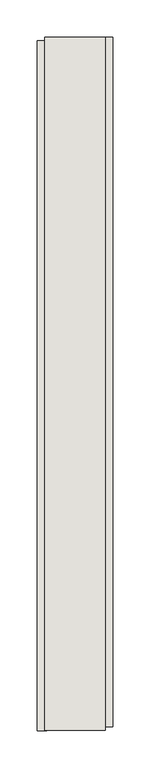
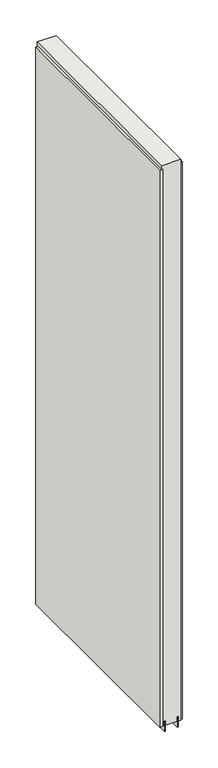
"""IFC4 building model written with IfcOpenShell, lengths in millimetres: wall geometry."""

import ifcopenshell
import ifcopenshell.guid

model = None  # the IFC model being written
_history = None  # IfcOwnerHistory: only IFC2X3 demands one
_inside = {}  # id of a spatial element -> (the spatial element, [elements in it])
_under = {}  # id of a project, library or spatial element -> (it, [spatial elements below it])
_declared = {}  # id of a project -> (the project, [libraries it declares])
_typed = {}  # id of a type object -> (the type object, [elements of that type])
_made_of = {}  # id of a material, layer set ... -> (it, [elements and type objects made of it])


def new_model(schema):
    """Start an empty IFC model of exactly this schema.

    Asked for "IFC4X3", IfcOpenShell would pick the latest addendum, in which some entities
    have other attributes; the version numbers below select the first issue.
    IFC2X3 requires an IfcOwnerHistory on every rooted entity: one is made here for all.
    """
    global model, _history
    if schema == "IFC4X3":
        model = ifcopenshell.file(schema_version=(4, 3, 0, 0))
    else:
        model = ifcopenshell.file(schema=schema)
    _inside.clear()
    _under.clear()
    _declared.clear()
    _typed.clear()
    _made_of.clear()
    _history = None
    if model.schema == "IFC2X3":
        org = make("IfcOrganization", Name="unknown")
        user = make(
            "IfcPersonAndOrganization",
            ThePerson=make("IfcPerson", FamilyName="unknown"),
            TheOrganization=org,
        )
        app = make(
            "IfcApplication",
            ApplicationDeveloper=org,
            Version="unknown",
            ApplicationFullName="unknown",
            ApplicationIdentifier="unknown",
        )
        _history = make(
            "IfcOwnerHistory",
            OwningUser=user,
            OwningApplication=app,
            ChangeAction="ADDED",
            CreationDate=0,
        )
    return model


def make(cls, **values):
    """One entity of the class cls with the attributes given. An attribute that is None is left unset."""
    return model.create_entity(
        cls, **{name: value for name, value in values.items() if value is not None}
    )


def rooted(cls, **values):
    """An entity with a GlobalId (a new one), such as an element, a storey or a relation."""
    return make(cls, GlobalId=ifcopenshell.guid.new(), OwnerHistory=_history, **values)


def si_unit(unit_type, name, prefix=None):
    """IfcSIUnit, for example si_unit("LENGTHUNIT", "METRE", prefix="MILLI")."""
    return make("IfcSIUnit", UnitType=unit_type, Prefix=prefix, Name=name)


def assignment(units):
    """IfcUnitAssignment: the units of a project."""
    return None if units is None else make("IfcUnitAssignment", Units=units)


def point(xyz):
    """IfcCartesianPoint."""
    return None if xyz is None else make("IfcCartesianPoint", Coordinates=xyz)


def direction(xyz):
    """IfcDirection."""
    return None if xyz is None else make("IfcDirection", DirectionRatios=xyz)


def frame(location, z_axis=None, x_axis=None):
    """IfcAxis2Placement3D, a coordinate frame: its origin and axes. An axis left out is left unset."""
    return make(
        "IfcAxis2Placement3D",
        Location=point(location),
        Axis=direction(z_axis),
        RefDirection=direction(x_axis),
    )


def origin():
    """The frame at (0, 0, 0) with its axes left unset."""
    return frame((0.0, 0.0, 0.0))


def place(relative_to, where):
    """IfcLocalPlacement: puts the frame where relative to a parent placement (None: the world)."""
    return make(
        "IfcLocalPlacement", PlacementRelTo=relative_to, RelativePlacement=where
    )


def context(
    kind, dimensions, precision=None, world=None, true_north=None, identifier=None
):
    """IfcGeometricRepresentationContext, for example the 3D "Model" context."""
    return make(
        "IfcGeometricRepresentationContext",
        ContextIdentifier=identifier,
        ContextType=kind,
        CoordinateSpaceDimension=dimensions,
        Precision=precision,
        WorldCoordinateSystem=world,
        TrueNorth=true_north,
    )


def project(units=None, contexts=None):
    """IfcProject with its units and contexts."""
    return rooted(
        "IfcProject",
        Name="project",
        RepresentationContexts=contexts,
        UnitsInContext=assignment(units),
    )


def spatial(cls, under=None, at=None, **own):
    """A site, building, storey or space (cls), placed at a placement, below another one or the project."""
    s = rooted(cls, ObjectPlacement=at, **own)
    if under is not None:
        _under.setdefault(under.id(), (under, []))[1].append(s)
    return s


def polyline(points):
    """IfcPolyline through the points."""
    return make("IfcPolyline", Points=[point(p) for p in points])


def outline(outer, holes=None, kind="AREA"):
    """IfcArbitraryClosedProfileDef: a profile drawn as a closed curve; with holes, ...WithVoids."""
    if holes is None:
        return make("IfcArbitraryClosedProfileDef", ProfileType=kind, OuterCurve=outer)
    return make(
        "IfcArbitraryProfileDefWithVoids",
        ProfileType=kind,
        OuterCurve=outer,
        InnerCurves=holes,
    )


def extrude(swept, where, along, depth):
    """IfcExtrudedAreaSolid: the profile swept, set in the frame where, extruded along a direction by depth."""
    return make(
        "IfcExtrudedAreaSolid",
        SweptArea=swept,
        Position=where,
        ExtrudedDirection=direction(along),
        Depth=depth,
    )


def shape(context_of_items, identifier, shape_type, items):
    """IfcShapeRepresentation: the items that make up one representation, for example the "Body"."""
    return make(
        "IfcShapeRepresentation",
        ContextOfItems=context_of_items,
        RepresentationIdentifier=identifier,
        RepresentationType=shape_type,
        Items=items,
    )


def source(mapping_origin, context_of_items, identifier, shape_type, items):
    """IfcRepresentationMap: a shape defined once, which mapped items show again and again."""
    return make(
        "IfcRepresentationMap",
        MappingOrigin=mapping_origin,
        MappedRepresentation=shape(context_of_items, identifier, shape_type, items),
    )


def transform(
    local_origin,
    x_axis=None,
    y_axis=None,
    z_axis=None,
    scale=None,
    scale2=None,
    scale3=None,
    uniform=True,
):
    """IfcCartesianTransformationOperator3D, or its non-uniform kind. x_axis, y_axis, z_axis: its Axis1, 2, 3."""
    if uniform:
        return make(
            "IfcCartesianTransformationOperator3D",
            Axis1=direction(x_axis),
            Axis2=direction(y_axis),
            LocalOrigin=point(local_origin),
            Scale=scale,
            Axis3=direction(z_axis),
        )
    return make(
        "IfcCartesianTransformationOperator3DnonUniform",
        Axis1=direction(x_axis),
        Axis2=direction(y_axis),
        LocalOrigin=point(local_origin),
        Scale=scale,
        Axis3=direction(z_axis),
        Scale2=scale2,
        Scale3=scale3,
    )


def mapped(mapping_source, mapping_target):
    """IfcMappedItem: shows the shape of a source again, moved by a transform."""
    return make(
        "IfcMappedItem", MappingSource=mapping_source, MappingTarget=mapping_target
    )


def made_of(thing, what):
    """Note that an element or type object is made of a material, layer set ...; save() writes the relation."""
    if what is not None:
        _made_of.setdefault(what.id(), (what, []))[1].append(thing)
    return thing


def element(
    cls,
    number,
    at=None,
    inside=None,
    cuts=None,
    type_object=None,
    material=None,
    context=None,
    identifier="Body",
    shape_type=None,
    held_by="IfcProductDefinitionShape",
    body=None,
    shapes=None,
    **own,
):
    """One element of the class cls, such as IfcWall. Its Tag is "e" and its number.

    at: its placement. inside: the storey or other place that contains it. cuts: it is an
    opening in that element (IfcRelVoidsElement). A single representation is given by context,
    identifier, shape_type and body (its items); several are given by shapes. held_by: the class
    of the entity that holds the representations. save() writes the other relations.
    """
    e = rooted(cls, Tag="e%d" % number, ObjectPlacement=at, **own)
    if body is not None:
        shapes = [shape(context, identifier, shape_type, body)]
    if shapes is not None:
        e.Representation = make(held_by, Representations=shapes)
    if inside is not None:
        _inside.setdefault(inside.id(), (inside, []))[1].append(e)
    if cuts is not None:
        rooted(
            "IfcRelVoidsElement", RelatingBuildingElement=cuts, RelatedOpeningElement=e
        )
    if type_object is not None:
        _typed.setdefault(type_object.id(), (type_object, []))[1].append(e)
    return made_of(e, material)


def aggregate(whole, parts):
    """IfcRelAggregates: a whole, such as a stair, and the parts it consists of."""
    return rooted("IfcRelAggregates", RelatingObject=whole, RelatedObjects=parts)


def save(model, path):
    """Write the relations noted so far, then the file.

    IfcRelAggregates (storeys below a building ...), IfcRelContainedInSpatialStructure (elements
    in a storey), IfcRelDefinesByType, IfcRelAssociatesMaterial and IfcRelDeclares: one each for
    every whole, place, type object, material and project.
    """
    for whole, parts in _under.values():
        aggregate(whole, parts)
    for where, things in _inside.values():
        rooted(
            "IfcRelContainedInSpatialStructure",
            RelatedElements=things,
            RelatingStructure=where,
        )
    for kind, things in _typed.values():
        rooted("IfcRelDefinesByType", RelatedObjects=things, RelatingType=kind)
    for what, things in _made_of.values():
        rooted("IfcRelAssociatesMaterial", RelatedObjects=things, RelatingMaterial=what)
    for by, libraries in _declared.values():
        rooted("IfcRelDeclares", RelatingContext=by, RelatedDefinitions=libraries)
    model.write(path)


def wall_204e839c(model_context):
    return source(origin(), model_context, "Body", "SweptSolid", [
        extrude(outline(polyline([(64721.142211, -42411.6115444), (64721.142211, -42409.0715444), (64723.682211, -42409.0715444), (64723.682211, -42411.6115444), (64721.142211, -42411.6115444)])), frame((0.0, 0.0, 4419.6), z_axis=(0.0, 0.0, 1.0), x_axis=(1.0, 0.0, 0.0)), (0.0, 0.0, 1.0), 2.54),
        extrude(outline(polyline([(64773.212211, -42408.6059624), (64773.212211, -43337.0129448), (64760.512211, -43337.0129448), (64760.512211, -42408.6059624), (64773.212211, -42408.6059624)])), frame((0.0, 0.0, 4445.0), z_axis=(0.0, 0.0, 1.0), x_axis=(1.0, 0.0, 0.0)), (0.0, 0.0, 1.0), 2545.0498756),
        extrude(outline(polyline([(64671.612211, -43341.9428816), (64671.612211, -42413.5358992), (64684.312211, -42413.5358992), (64684.312211, -43341.9428816), (64671.612211, -43341.9428816)])), frame((0.0, 0.0, 4445.0), z_axis=(0.0, 0.0, 1.0), x_axis=(1.0, 0.0, 0.0)), (0.0, 0.0, 1.0), 2545.0498756),
        extrude(outline(polyline([(64747.4959556, -43341.4692224), (64747.4959556, -42409.0579046), (64752.574711, -42409.0579046), (64752.574711, -43341.4692224), (64747.4959556, -43341.4692224)])), frame((0.0, 0.0, 4418.6602), z_axis=(0.0, 0.0, 1.0), x_axis=(1.0, 0.0, 0.0)), (0.0, 0.0, 1.0), 47.625),
        extrude(outline(polyline([(64747.4959556, -43341.4692224), (64747.4959556, -42409.0579046), (64752.574711, -42409.0579046), (64752.574711, -43341.4692224), (64747.4959556, -43341.4692224)])), frame((0.0, 0.0, 4418.6602), z_axis=(0.0, 0.0, 1.0), x_axis=(1.0, 0.0, 0.0)), (0.0, 0.0, 1.0), 47.625),
        extrude(outline(polyline([(64697.3284664, -42409.0579046), (64697.3284664, -43341.4692224), (64692.249711, -43341.4692224), (64692.249711, -42409.0579046), (64697.3284664, -42409.0579046)])), frame((0.0, 0.0, 4418.6602), z_axis=(0.0, 0.0, 1.0), x_axis=(1.0, 0.0, 0.0)), (0.0, 0.0, 1.0), 47.625),
        extrude(outline(polyline([(64697.3284664, -42409.0579046), (64697.3284664, -43341.4692224), (64692.249711, -43341.4692224), (64692.249711, -42409.0579046), (64697.3284664, -42409.0579046)])), frame((0.0, 0.0, 4418.6602), z_axis=(0.0, 0.0, 1.0), x_axis=(1.0, 0.0, 0.0)), (0.0, 0.0, 1.0), 47.625),
        extrude(outline(polyline([(64763.0670954, -43341.4692224), (64681.7573266, -43341.4692224), (64681.7573266, -42409.0579046), (64763.0670954, -42409.0579046), (64763.0670954, -43341.4692224)])), frame((0.0, 0.0, 4445.0), z_axis=(0.0, 0.0, 1.0), x_axis=(1.0, 0.0, 0.0)), (0.0, 0.0, 1.0), 2562.4536762),
    ])


if __name__ == "__main__":
    model = new_model("IFC4")
    model_context = context("Model", 3, world=origin())
    ifc_project = project(units=[si_unit("LENGTHUNIT", "METRE", prefix="MILLI")], contexts=[model_context])
    site = spatial("IfcSite", under=ifc_project)
    building = spatial("IfcBuilding", under=site)
    placement = place(None, origin())
    wall_shape = wall_204e839c(model_context)
    element("IfcWall", 1, at=placement, inside=building, context=model_context, shape_type="MappedRepresentation", body=[
        mapped(wall_shape, transform((0.0, 0.0, 0.0), x_axis=(1.0, 0.0, 0.0), y_axis=(0.0, 1.0, 0.0), z_axis=(0.0, 0.0, 1.0))),
    ])
    save(model, "model.ifc")
